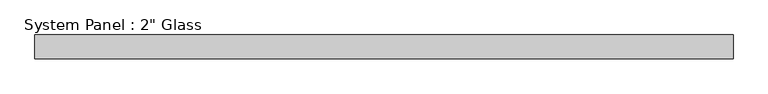
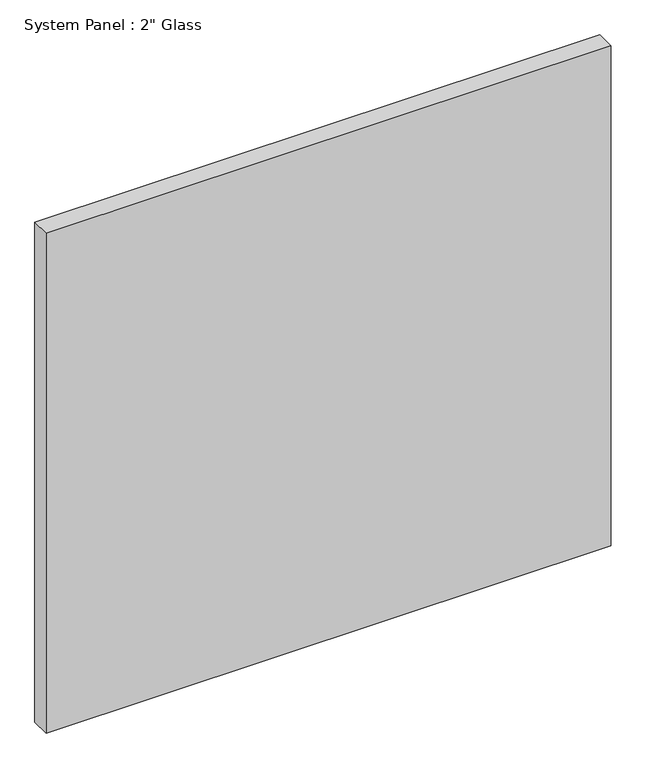
"""IFC4 building model written with IfcOpenShell, lengths in millimetres: plate geometry."""

from ifc_helpers import new_model, si_unit, origin, origin_with_axes, place, context, project, spatial, polyline, outline, extrude, source, transform, mapped, element, save


def plate_c3b815c9(model_context):
    return source(origin(), model_context, "Body", "SweptSolid", [
        extrude(outline(polyline([(742.9508852, -25.4), (-742.9508852, -25.4), (-742.9508852, 25.4), (742.9508852, 25.4), (742.9508852, -25.4)])), origin_with_axes(), (0.0, 0.0, 1.0), 1388.8591382),
    ])


if __name__ == "__main__":
    model = new_model("IFC4")
    model_context = context("Model", 3, world=origin())
    ifc_project = project(units=[si_unit("LENGTHUNIT", "METRE", prefix="MILLI")], contexts=[model_context])
    site = spatial("IfcSite", under=ifc_project)
    building = spatial("IfcBuilding", under=site)
    placement = place(None, origin())
    plate_shape = plate_c3b815c9(model_context)
    element("IfcPlate", 1, ObjectType="System Panel : 2\" Glass", at=placement, inside=building, context=model_context, shape_type="MappedRepresentation", body=[
        mapped(plate_shape, transform((0.0, 0.0, 0.0), x_axis=(1.0, 0.0, 0.0), y_axis=(0.0, 1.0, 0.0), z_axis=(0.0, 0.0, 1.0))),
    ])
    save(model, "model.ifc")
